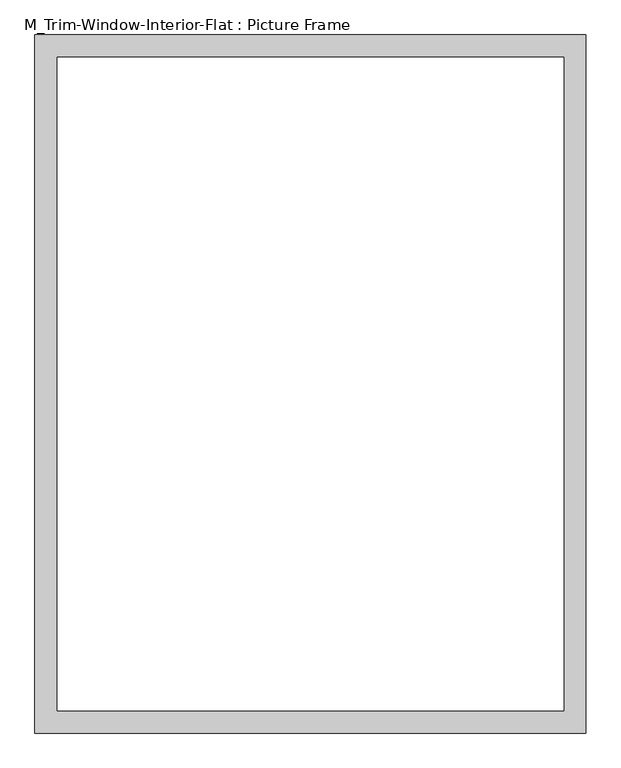
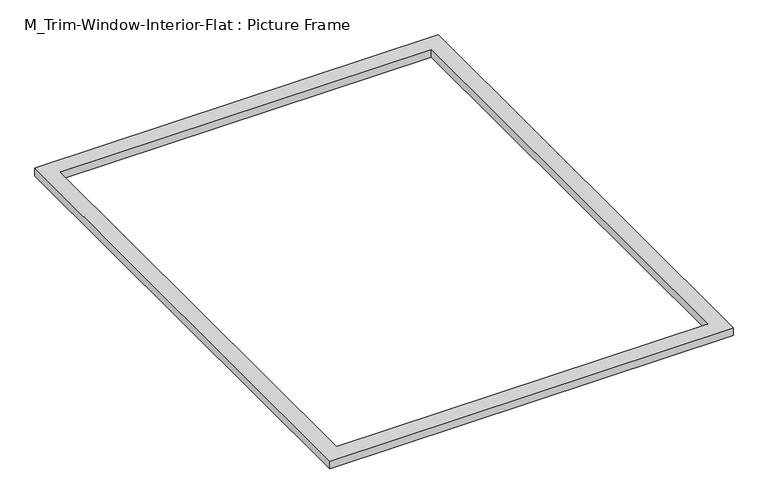
"""IFC4 building model written with IfcOpenShell, lengths in millimetres: proxy geometry, M_Trim-Window-Interior-Flat : Picture Frame."""

from ifc_helpers import new_model, si_unit, origin, origin_with_axes, place, context, project, spatial, polyline, outline, extrude, source, transform, mapped, element, save


def m_trim_window_interior_flat_picture_frame_c6c50358(model_context):
    return source(origin(), model_context, "Body", "SweptSolid", [
        extrude(outline(polyline([(747.3, 47.3), (747.3, -1847.3), (-747.3, -1847.3), (-747.3, 47.3), (747.3, 47.3)]), holes=[polyline([(687.3, -12.7), (-687.3, -12.7), (-687.3, -1787.3), (687.3, -1787.3), (687.3, -12.7)])]), origin_with_axes(), (0.0, 0.0, 1.0), 30.0),
    ])


if __name__ == "__main__":
    model = new_model("IFC4")
    model_context = context("Model", 3, world=origin())
    ifc_project = project(units=[si_unit("LENGTHUNIT", "METRE", prefix="MILLI")], contexts=[model_context])
    site = spatial("IfcSite", under=ifc_project)
    building = spatial("IfcBuilding", under=site)
    placement = place(None, origin())
    m_trim_window_interior_flat_picture_frame_shape = m_trim_window_interior_flat_picture_frame_c6c50358(model_context)
    element("IfcBuildingElementProxy", 1, Name="M_Trim-Window-Interior-Flat : Picture Frame", ObjectType="M_Trim-Window-Interior-Flat : Picture Frame", at=placement, inside=building, context=model_context, shape_type="MappedRepresentation", body=[
        mapped(m_trim_window_interior_flat_picture_frame_shape, transform((0.0, 0.0, 0.0), x_axis=(1.0, 0.0, 0.0), y_axis=(0.0, 1.0, 0.0), z_axis=(0.0, 0.0, 1.0))),
    ])
    save(model, "model.ifc")
